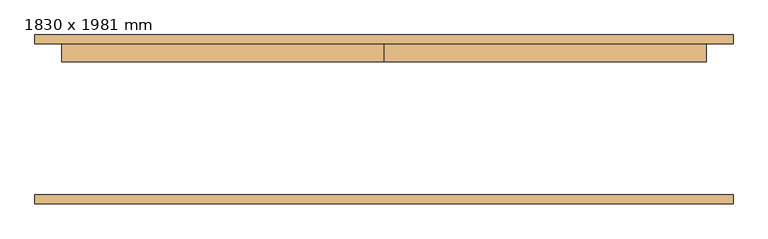
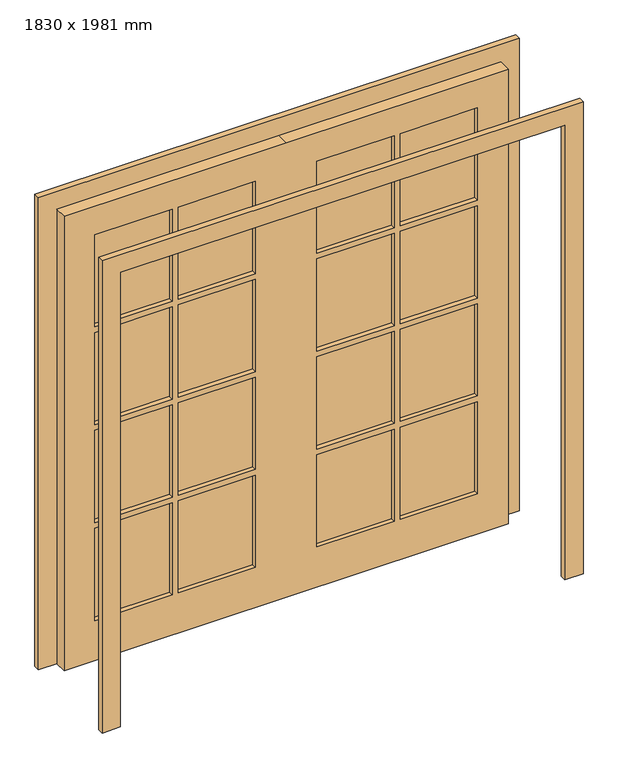
"""IFC4 building model written with IfcOpenShell, lengths in millimetres: door geometry, 1830 x 1981 mm."""

from ifc_helpers import new_model, si_unit, frame, origin, place, context, project, spatial, polyline, outline, extrude, source, transform, mapped, element, save


def door_1830_x_1981_mm_f6a95d4f(model_context):
    return source(origin(), model_context, "Body", "SweptSolid", [
        extrude(outline(polyline([(470.0, 195.45), (788.0, 195.45), (788.0, 182.75), (470.0, 182.75), (470.0, 195.45)])), frame((0.0, 0.0, 1454.5), z_axis=(0.0, 0.0, 1.0), x_axis=(1.0, 0.0, 0.0)), (0.0, 0.0, 1.0), 401.5),
        extrude(outline(polyline([(127.0, 195.45), (445.0, 195.45), (445.0, 182.75), (127.0, 182.75), (127.0, 195.45)])), frame((0.0, 0.0, 1454.5), z_axis=(0.0, 0.0, 1.0), x_axis=(1.0, 0.0, 0.0)), (0.0, 0.0, 1.0), 401.5),
        extrude(outline(polyline([(-445.0, 195.45), (-127.0, 195.45), (-127.0, 182.75), (-445.0, 182.75), (-445.0, 195.45)])), frame((0.0, 0.0, 1454.5), z_axis=(0.0, 0.0, 1.0), x_axis=(1.0, 0.0, 0.0)), (0.0, 0.0, 1.0), 401.5),
        extrude(outline(polyline([(-788.0, 195.45), (-470.0, 195.45), (-470.0, 182.75), (-788.0, 182.75), (-788.0, 195.45)])), frame((0.0, 0.0, 1454.5), z_axis=(0.0, 0.0, 1.0), x_axis=(1.0, 0.0, 0.0)), (0.0, 0.0, 1.0), 401.5),
        extrude(outline(polyline([(-788.0, 195.45), (-470.0, 195.45), (-470.0, 182.75), (-788.0, 182.75), (-788.0, 195.45)])), frame((0.0, 0.0, 1028.0), z_axis=(0.0, 0.0, 1.0), x_axis=(1.0, 0.0, 0.0)), (0.0, 0.0, 1.0), 401.5),
        extrude(outline(polyline([(-445.0, 195.45), (-127.0, 195.45), (-127.0, 182.75), (-445.0, 182.75), (-445.0, 195.45)])), frame((0.0, 0.0, 1028.0), z_axis=(0.0, 0.0, 1.0), x_axis=(1.0, 0.0, 0.0)), (0.0, 0.0, 1.0), 401.5),
        extrude(outline(polyline([(127.0, 195.45), (445.0, 195.45), (445.0, 182.75), (127.0, 182.75), (127.0, 195.45)])), frame((0.0, 0.0, 1028.0), z_axis=(0.0, 0.0, 1.0), x_axis=(1.0, 0.0, 0.0)), (0.0, 0.0, 1.0), 401.5),
        extrude(outline(polyline([(470.0, 195.45), (788.0, 195.45), (788.0, 182.75), (470.0, 182.75), (470.0, 195.45)])), frame((0.0, 0.0, 1028.0), z_axis=(0.0, 0.0, 1.0), x_axis=(1.0, 0.0, 0.0)), (0.0, 0.0, 1.0), 401.5),
        extrude(outline(polyline([(470.0, 195.45), (788.0, 195.45), (788.0, 182.75), (470.0, 182.75), (470.0, 195.45)])), frame((0.0, 0.0, 601.5), z_axis=(0.0, 0.0, 1.0), x_axis=(1.0, 0.0, 0.0)), (0.0, 0.0, 1.0), 401.5),
        extrude(outline(polyline([(127.0, 195.45), (445.0, 195.45), (445.0, 182.75), (127.0, 182.75), (127.0, 195.45)])), frame((0.0, 0.0, 601.5), z_axis=(0.0, 0.0, 1.0), x_axis=(1.0, 0.0, 0.0)), (0.0, 0.0, 1.0), 401.5),
        extrude(outline(polyline([(-445.0, 195.45), (-127.0, 195.45), (-127.0, 182.75), (-445.0, 182.75), (-445.0, 195.45)])), frame((0.0, 0.0, 601.5), z_axis=(0.0, 0.0, 1.0), x_axis=(1.0, 0.0, 0.0)), (0.0, 0.0, 1.0), 401.5),
        extrude(outline(polyline([(-788.0, 195.45), (-470.0, 195.45), (-470.0, 182.75), (-788.0, 182.75), (-788.0, 195.45)])), frame((0.0, 0.0, 601.5), z_axis=(0.0, 0.0, 1.0), x_axis=(1.0, 0.0, 0.0)), (0.0, 0.0, 1.0), 401.5),
        extrude(outline(polyline([(470.0, 195.45), (788.0, 195.45), (788.0, 182.75), (470.0, 182.75), (470.0, 195.45)])), frame((0.0, 0.0, 175.0), z_axis=(0.0, 0.0, 1.0), x_axis=(1.0, 0.0, 0.0)), (0.0, 0.0, 1.0), 401.5),
        extrude(outline(polyline([(127.0, 195.45), (445.0, 195.45), (445.0, 182.75), (127.0, 182.75), (127.0, 195.45)])), frame((0.0, 0.0, 175.0), z_axis=(0.0, 0.0, 1.0), x_axis=(1.0, 0.0, 0.0)), (0.0, 0.0, 1.0), 401.5),
        extrude(outline(polyline([(-445.0, 195.45), (-127.0, 195.45), (-127.0, 182.75), (-445.0, 182.75), (-445.0, 195.45)])), frame((0.0, 0.0, 175.0), z_axis=(0.0, 0.0, 1.0), x_axis=(1.0, 0.0, 0.0)), (0.0, 0.0, 1.0), 401.5),
        extrude(outline(polyline([(-788.0, 195.45), (-470.0, 195.45), (-470.0, 182.75), (-788.0, 182.75), (-788.0, 195.45)])), frame((0.0, 0.0, 175.0), z_axis=(0.0, 0.0, 1.0), x_axis=(1.0, 0.0, 0.0)), (0.0, 0.0, 1.0), 401.5),
        extrude(outline(polyline([(1981.0, 0.0), (1981.0, -915.0), (0.0, -915.0), (0.0, 0.0), (0.0, 915.0), (1981.0, 915.0), (1981.0, 0.0)]), holes=[polyline([(1856.0, 470.0), (1856.0, 788.0), (1454.5, 788.0), (1454.5, 470.0), (1856.0, 470.0)]), polyline([(1856.0, 127.0), (1856.0, 445.0), (1454.5, 445.0), (1454.5, 127.0), (1856.0, 127.0)]), polyline([(1429.5, 470.0), (1429.5, 788.0), (1028.0, 788.0), (1028.0, 470.0), (1429.5, 470.0)]), polyline([(1429.5, 127.0), (1429.5, 445.0), (1028.0, 445.0), (1028.0, 127.0), (1429.5, 127.0)]), polyline([(1003.0, 470.0), (1003.0, 788.0), (601.5, 788.0), (601.5, 470.0), (1003.0, 470.0)]), polyline([(1003.0, 127.0), (1003.0, 445.0), (601.5, 445.0), (601.5, 127.0), (1003.0, 127.0)]), polyline([(576.5, 470.0), (576.5, 788.0), (175.0, 788.0), (175.0, 470.0), (576.5, 470.0)]), polyline([(576.5, 127.0), (576.5, 445.0), (175.0, 445.0), (175.0, 127.0), (576.5, 127.0)]), polyline([(1856.0, -445.0), (1856.0, -127.0), (1454.5, -127.0), (1454.5, -445.0), (1856.0, -445.0)]), polyline([(1429.5, -445.0), (1429.5, -127.0), (1028.0, -127.0), (1028.0, -445.0), (1429.5, -445.0)]), polyline([(1429.5, -470.0), (1028.0, -470.0), (1028.0, -788.0), (1429.5, -788.0), (1429.5, -470.0)]), polyline([(1003.0, -445.0), (1003.0, -127.0), (601.5, -127.0), (601.5, -445.0), (1003.0, -445.0)]), polyline([(1003.0, -470.0), (601.5, -470.0), (601.5, -788.0), (1003.0, -788.0), (1003.0, -470.0)]), polyline([(576.5, -445.0), (576.5, -127.0), (175.0, -127.0), (175.0, -445.0), (576.5, -445.0)]), polyline([(576.5, -788.0), (576.5, -470.0), (175.0, -470.0), (175.0, -788.0), (576.5, -788.0)]), polyline([(1454.5, -470.0), (1454.5, -788.0), (1856.0, -788.0), (1856.0, -470.0), (1454.5, -470.0)])]), frame((0.0, 163.5, 0.0), z_axis=(0.0, 1.0, 0.0), x_axis=(0.0, 0.0, 1.0)), (0.0, 0.0, 1.0), 51.0),
        extrude(outline(polyline([(1981.0, -915.0), (1981.0, 915.0), (0.0, 915.0), (0.0, 991.0), (2057.0, 991.0), (2057.0, -991.0), (0.0, -991.0), (0.0, -915.0), (1981.0, -915.0)])), frame((0.0, -239.5, 0.0), z_axis=(0.0, 1.0, 0.0), x_axis=(0.0, 0.0, 1.0)), (0.0, 0.0, 1.0), 25.0),
        extrude(outline(polyline([(1981.0, -915.0), (1981.0, 915.0), (0.0, 915.0), (0.0, 991.0), (2057.0, 991.0), (2057.0, -991.0), (0.0, -991.0), (0.0, -915.0), (1981.0, -915.0)])), frame((0.0, 214.5, 0.0), z_axis=(0.0, 1.0, 0.0), x_axis=(0.0, 0.0, 1.0)), (0.0, 0.0, 1.0), 25.0),
    ])


if __name__ == "__main__":
    model = new_model("IFC4")
    model_context = context("Model", 3, world=origin())
    ifc_project = project(units=[si_unit("LENGTHUNIT", "METRE", prefix="MILLI")], contexts=[model_context])
    site = spatial("IfcSite", under=ifc_project)
    building = spatial("IfcBuilding", under=site)
    placement = place(None, origin())
    door_1830_x_1981_mm_shape = door_1830_x_1981_mm_f6a95d4f(model_context)
    element("IfcDoor", 1, ObjectType="1830 x 1981 mm", at=placement, inside=building, context=model_context, shape_type="MappedRepresentation", body=[
        mapped(door_1830_x_1981_mm_shape, transform((0.0, 0.0, 0.0), x_axis=(1.0, 0.0, 0.0), y_axis=(0.0, 1.0, 0.0), z_axis=(0.0, 0.0, 1.0))),
    ])
    save(model, "model.ifc")
